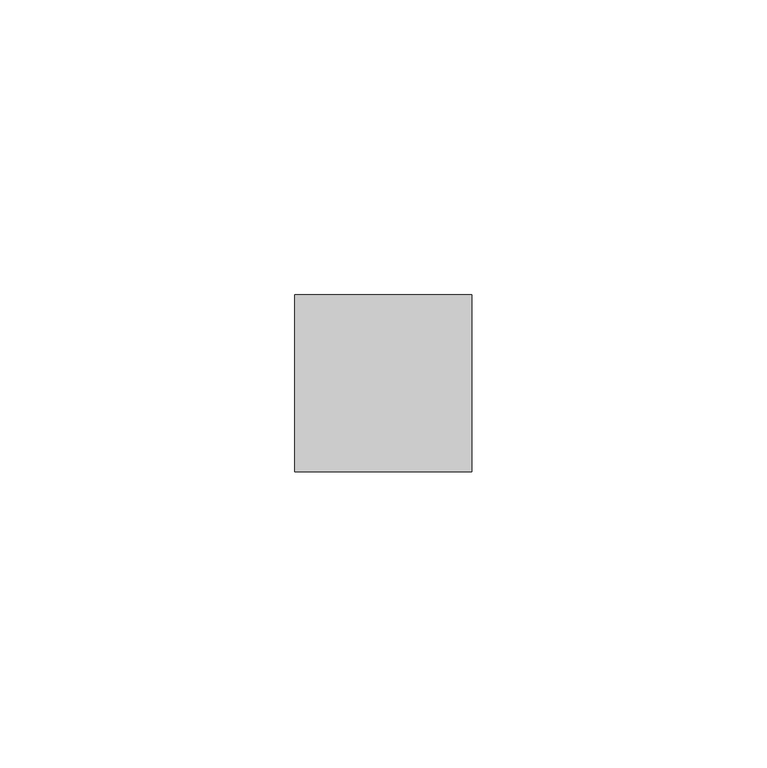
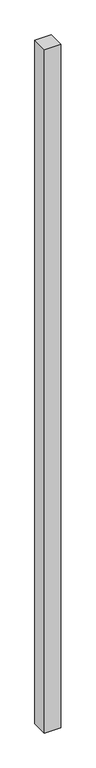
"""IFC4 building model written with IfcOpenShell, lengths in millimetres: member geometry."""

from ifc_helpers import new_model, si_unit, frame, origin, place, context, project, spatial, polyline, outline, extrude, source, transform, mapped, element, save


def member_981c8d72(model_context):
    return source(origin(), model_context, "Body", "SweptSolid", [
        extrude(outline(polyline([(15.0, 15.0), (15.0, -15.0), (-15.0, -15.0), (-15.0, 15.0), (15.0, 15.0)])), frame((0.0, 0.0, -1322.5), z_axis=(0.0, 0.0, 1.0), x_axis=(1.0, 0.0, 0.0)), (0.0, 0.0, 1.0), 1322.5),
    ])


if __name__ == "__main__":
    model = new_model("IFC4")
    model_context = context("Model", 3, world=origin())
    ifc_project = project(units=[si_unit("LENGTHUNIT", "METRE", prefix="MILLI")], contexts=[model_context])
    site = spatial("IfcSite", under=ifc_project)
    building = spatial("IfcBuilding", under=site)
    placement = place(None, origin())
    member_shape = member_981c8d72(model_context)
    element("IfcMember", 1, at=placement, inside=building, context=model_context, shape_type="MappedRepresentation", body=[
        mapped(member_shape, transform((0.0, 0.0, 0.0), x_axis=(1.0, 0.0, 0.0), y_axis=(0.0, 1.0, 0.0), z_axis=(0.0, 0.0, 1.0))),
    ])
    save(model, "model.ifc")
